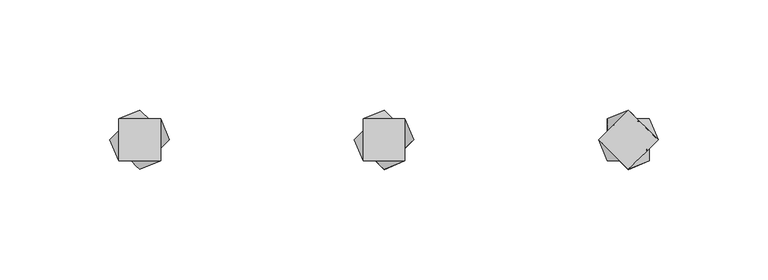
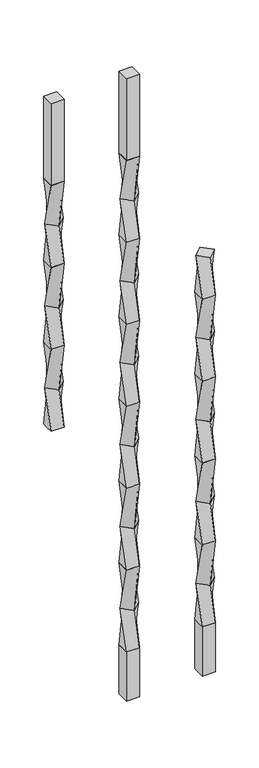
"""IFC4 building model written with IfcOpenShell, lengths in millimetres: proxy geometry."""

from ifc_helpers import new_model, si_unit, frame, origin, place, context, project, spatial, polyline, outline, extrude, source, transform, mapped, element, save
from ifc_brep_helpers import plane_surface, spline_surface, advanced_brep


def specialty_equipment_e52f804c(model_context):
    return source(origin(), model_context, "Body", "SolidModel", [
        advanced_brep(
        [(0.0, 13.4703842, 749.3), (-13.4703842, 0.0, 749.3), (0.0, -13.4703842, 749.3), (13.4703842, 0.0, 749.3), (-9.525, 9.525, 685.8), (9.525, 9.525, 685.8), (9.525, -9.525, 685.8), (-9.525, -9.525, 685.8)],
        [
            (0, 1),
            (1, 2),
            (2, 3),
            (3, 0),
            (4, 5),
            (5, 6),
            (6, 7),
            (7, 4),
            (4, 0),
            (3, 5),
            (2, 6),
            (1, 7),
        ],
        [
            plane_surface(frame((0.0, 0.0, 749.3), z_axis=(0.0, 0.0, 1.0000000000000002), x_axis=(0.7071067811865481, -0.707106781186547, 0.0))),
            plane_surface(frame((0.0, 0.0, 685.8), z_axis=(0.0, 0.0, -1.0000000000000002), x_axis=(0.7071067811865481, -0.707106781186547, 0.0))),
            spline_surface(1, 1, [[(9.525, 9.525, 685.8), (13.4703842, 0.0, 749.3)], [(-9.525, 9.525, 685.8), (0.0, 13.4703842, 749.3)]], [2, 2], [2, 2], [0.0, 1.0], [0.0, 1.0]),
            spline_surface(1, 1, [[(9.525, -9.525, 685.8), (0.0, -13.4703842, 749.3)], [(9.525, 9.525, 685.8), (13.4703842, 0.0, 749.3)]], [2, 2], [2, 2], [0.0, 1.0], [0.0, 1.0]),
            spline_surface(1, 1, [[(-9.525, -9.525, 685.8), (-13.4703842, 0.0, 749.3)], [(9.525, -9.525, 685.8), (0.0, -13.4703842, 749.3)]], [2, 2], [2, 2], [0.0, 1.0], [0.0, 1.0]),
            spline_surface(1, 1, [[(-9.525, 9.525, 685.8), (0.0, 13.4703842, 749.3)], [(-9.525, -9.525, 685.8), (-13.4703842, 0.0, 749.3)]], [2, 2], [2, 2], [0.0, 1.0], [0.0, 1.0]),
        ],
        [
            (0, [[1, 2, 3, 4]]),
            (1, [[5, 6, 7, 8]]),
            (2, [[-5, 9, -4, 10]]),
            (3, [[-6, -10, -3, 11]]),
            (4, [[-7, -11, -2, 12]]),
            (5, [[-8, -12, -1, -9]]),
        ],
    ),
        advanced_brep(
        [(-9.525, 9.525, 685.8), (-9.525, -9.525, 685.8), (9.525, -9.525, 685.8), (9.525, 9.525, 685.8), (0.0, 13.4703842, 622.3), (13.4703842, 0.0, 622.3), (0.0, -13.4703842, 622.3), (-13.4703842, 0.0, 622.3)],
        [
            (0, 1),
            (1, 2),
            (2, 3),
            (3, 0),
            (4, 5),
            (5, 6),
            (6, 7),
            (7, 4),
            (4, 0),
            (3, 5),
            (2, 6),
            (1, 7),
        ],
        [
            plane_surface(frame((0.0, 0.0, 685.8), z_axis=(0.0, 0.0, 1.0), x_axis=(0.0, -1.0, 0.0))),
            plane_surface(frame((0.0, 0.0, 622.3), z_axis=(0.0, 0.0, -1.0), x_axis=(0.0, -1.0, 0.0))),
            spline_surface(1, 1, [[(13.4703842, 0.0, 622.3), (9.525, 9.525, 685.8)], [(0.0, 13.4703842, 622.3), (-9.525, 9.525, 685.8)]], [2, 2], [2, 2], [0.0, 1.0], [0.0, 1.0]),
            spline_surface(1, 1, [[(0.0, -13.4703842, 622.3), (9.525, -9.525, 685.8)], [(13.4703842, 0.0, 622.3), (9.525, 9.525, 685.8)]], [2, 2], [2, 2], [0.0, 1.0], [0.0, 1.0]),
            spline_surface(1, 1, [[(-13.4703842, 0.0, 622.3), (-9.525, -9.525, 685.8)], [(0.0, -13.4703842, 622.3), (9.525, -9.525, 685.8)]], [2, 2], [2, 2], [0.0, 1.0], [0.0, 1.0]),
            spline_surface(1, 1, [[(0.0, 13.4703842, 622.3), (-9.525, 9.525, 685.8)], [(-13.4703842, 0.0, 622.3), (-9.525, -9.525, 685.8)]], [2, 2], [2, 2], [0.0, 1.0], [0.0, 1.0]),
        ],
        [
            (0, [[1, 2, 3, 4]]),
            (1, [[5, 6, 7, 8]]),
            (2, [[-5, 9, -4, 10]]),
            (3, [[-6, -10, -3, 11]]),
            (4, [[-7, -11, -2, 12]]),
            (5, [[-8, -12, -1, -9]]),
        ],
    ),
        advanced_brep(
        [(0.0, 13.4703842, 622.3), (-13.4703842, 0.0, 622.3), (0.0, -13.4703842, 622.3), (13.4703842, 0.0, 622.3), (-9.525, 9.525, 558.8), (9.525, 9.525, 558.8), (9.525, -9.525, 558.8), (-9.525, -9.525, 558.8)],
        [
            (0, 1),
            (1, 2),
            (2, 3),
            (3, 0),
            (4, 5),
            (5, 6),
            (6, 7),
            (7, 4),
            (4, 0),
            (3, 5),
            (2, 6),
            (1, 7),
        ],
        [
            plane_surface(frame((0.0, 0.0, 622.3), z_axis=(0.0, 0.0, 1.0000000000000002), x_axis=(0.7071067811865481, -0.707106781186547, 0.0))),
            plane_surface(frame((0.0, 0.0, 558.8), z_axis=(0.0, 0.0, -1.0000000000000002), x_axis=(0.7071067811865481, -0.707106781186547, 0.0))),
            spline_surface(1, 1, [[(9.525, 9.525, 558.8), (13.4703842, 0.0, 622.3)], [(-9.525, 9.525, 558.8), (0.0, 13.4703842, 622.3)]], [2, 2], [2, 2], [0.0, 1.0], [0.0, 1.0]),
            spline_surface(1, 1, [[(9.525, -9.525, 558.8), (0.0, -13.4703842, 622.3)], [(9.525, 9.525, 558.8), (13.4703842, 0.0, 622.3)]], [2, 2], [2, 2], [0.0, 1.0], [0.0, 1.0]),
            spline_surface(1, 1, [[(-9.525, -9.525, 558.8), (-13.4703842, 0.0, 622.3)], [(9.525, -9.525, 558.8), (0.0, -13.4703842, 622.3)]], [2, 2], [2, 2], [0.0, 1.0], [0.0, 1.0]),
            spline_surface(1, 1, [[(-9.525, 9.525, 558.8), (0.0, 13.4703842, 622.3)], [(-9.525, -9.525, 558.8), (-13.4703842, 0.0, 622.3)]], [2, 2], [2, 2], [0.0, 1.0], [0.0, 1.0]),
        ],
        [
            (0, [[1, 2, 3, 4]]),
            (1, [[5, 6, 7, 8]]),
            (2, [[-5, 9, -4, 10]]),
            (3, [[-6, -10, -3, 11]]),
            (4, [[-7, -11, -2, 12]]),
            (5, [[-8, -12, -1, -9]]),
        ],
    ),
        advanced_brep(
        [(-9.525, 9.525, 558.8), (-9.525, -9.525, 558.8), (9.525, -9.525, 558.8), (9.525, 9.525, 558.8), (0.0, 13.4703842, 495.3), (13.4703842, 0.0, 495.3), (0.0, -13.4703842, 495.3), (-13.4703842, 0.0, 495.3)],
        [
            (0, 1),
            (1, 2),
            (2, 3),
            (3, 0),
            (4, 5),
            (5, 6),
            (6, 7),
            (7, 4),
            (4, 0),
            (3, 5),
            (2, 6),
            (1, 7),
        ],
        [
            plane_surface(frame((0.0, 0.0, 558.8), z_axis=(0.0, 0.0, 1.0), x_axis=(0.0, -1.0, 0.0))),
            plane_surface(frame((0.0, 0.0, 495.3), z_axis=(0.0, 0.0, -1.0), x_axis=(0.0, -1.0, 0.0))),
            spline_surface(1, 1, [[(13.4703842, 0.0, 495.3), (9.525, 9.525, 558.8)], [(0.0, 13.4703842, 495.3), (-9.525, 9.525, 558.8)]], [2, 2], [2, 2], [0.0, 1.0], [0.0, 1.0]),
            spline_surface(1, 1, [[(0.0, -13.4703842, 495.3), (9.525, -9.525, 558.8)], [(13.4703842, 0.0, 495.3), (9.525, 9.525, 558.8)]], [2, 2], [2, 2], [0.0, 1.0], [0.0, 1.0]),
            spline_surface(1, 1, [[(-13.4703842, 0.0, 495.3), (-9.525, -9.525, 558.8)], [(0.0, -13.4703842, 495.3), (9.525, -9.525, 558.8)]], [2, 2], [2, 2], [0.0, 1.0], [0.0, 1.0]),
            spline_surface(1, 1, [[(0.0, 13.4703842, 495.3), (-9.525, 9.525, 558.8)], [(-13.4703842, 0.0, 495.3), (-9.525, -9.525, 558.8)]], [2, 2], [2, 2], [0.0, 1.0], [0.0, 1.0]),
        ],
        [
            (0, [[1, 2, 3, 4]]),
            (1, [[5, 6, 7, 8]]),
            (2, [[-5, 9, -4, 10]]),
            (3, [[-6, -10, -3, 11]]),
            (4, [[-7, -11, -2, 12]]),
            (5, [[-8, -12, -1, -9]]),
        ],
    ),
        advanced_brep(
        [(0.0, 13.4703842, 495.3), (-13.4703842, 0.0, 495.3), (0.0, -13.4703842, 495.3), (13.4703842, 0.0, 495.3), (-9.525, 9.525, 431.8), (9.525, 9.525, 431.8), (9.525, -9.525, 431.8), (-9.525, -9.525, 431.8)],
        [
            (0, 1),
            (1, 2),
            (2, 3),
            (3, 0),
            (4, 5),
            (5, 6),
            (6, 7),
            (7, 4),
            (4, 0),
            (3, 5),
            (2, 6),
            (1, 7),
        ],
        [
            plane_surface(frame((0.0, 0.0, 495.3), z_axis=(0.0, 0.0, 1.0000000000000002), x_axis=(0.7071067811865481, -0.707106781186547, 0.0))),
            plane_surface(frame((0.0, 0.0, 431.8), z_axis=(0.0, 0.0, -1.0000000000000002), x_axis=(0.7071067811865481, -0.707106781186547, 0.0))),
            spline_surface(1, 1, [[(9.525, 9.525, 431.8), (13.4703842, 0.0, 495.3)], [(-9.525, 9.525, 431.8), (0.0, 13.4703842, 495.3)]], [2, 2], [2, 2], [0.0, 1.0], [0.0, 1.0]),
            spline_surface(1, 1, [[(9.525, -9.525, 431.8), (0.0, -13.4703842, 495.3)], [(9.525, 9.525, 431.8), (13.4703842, 0.0, 495.3)]], [2, 2], [2, 2], [0.0, 1.0], [0.0, 1.0]),
            spline_surface(1, 1, [[(-9.525, -9.525, 431.8), (-13.4703842, 0.0, 495.3)], [(9.525, -9.525, 431.8), (0.0, -13.4703842, 495.3)]], [2, 2], [2, 2], [0.0, 1.0], [0.0, 1.0]),
            spline_surface(1, 1, [[(-9.525, 9.525, 431.8), (0.0, 13.4703842, 495.3)], [(-9.525, -9.525, 431.8), (-13.4703842, 0.0, 495.3)]], [2, 2], [2, 2], [0.0, 1.0], [0.0, 1.0]),
        ],
        [
            (0, [[1, 2, 3, 4]]),
            (1, [[5, 6, 7, 8]]),
            (2, [[-5, 9, -4, 10]]),
            (3, [[-6, -10, -3, 11]]),
            (4, [[-7, -11, -2, 12]]),
            (5, [[-8, -12, -1, -9]]),
        ],
    ),
        advanced_brep(
        [(-9.525, 9.525, 431.8), (-9.525, -9.525, 431.8), (9.525, -9.525, 431.8), (9.525, 9.525, 431.8), (0.0, 13.4703842, 368.3), (13.4703842, 0.0, 368.3), (0.0, -13.4703842, 368.3), (-13.4703842, 0.0, 368.3)],
        [
            (0, 1),
            (1, 2),
            (2, 3),
            (3, 0),
            (4, 5),
            (5, 6),
            (6, 7),
            (7, 4),
            (4, 0),
            (3, 5),
            (2, 6),
            (1, 7),
        ],
        [
            plane_surface(frame((0.0, 0.0, 431.8), z_axis=(0.0, 0.0, 1.0), x_axis=(0.0, -1.0, 0.0))),
            plane_surface(frame((0.0, 0.0, 368.3), z_axis=(0.0, 0.0, -1.0), x_axis=(0.0, -1.0, 0.0))),
            spline_surface(1, 1, [[(13.4703842, 0.0, 368.3), (9.525, 9.525, 431.8)], [(0.0, 13.4703842, 368.3), (-9.525, 9.525, 431.8)]], [2, 2], [2, 2], [0.0, 1.0], [0.0, 1.0]),
            spline_surface(1, 1, [[(0.0, -13.4703842, 368.3), (9.525, -9.525, 431.8)], [(13.4703842, 0.0, 368.3), (9.525, 9.525, 431.8)]], [2, 2], [2, 2], [0.0, 1.0], [0.0, 1.0]),
            spline_surface(1, 1, [[(-13.4703842, 0.0, 368.3), (-9.525, -9.525, 431.8)], [(0.0, -13.4703842, 368.3), (9.525, -9.525, 431.8)]], [2, 2], [2, 2], [0.0, 1.0], [0.0, 1.0]),
            spline_surface(1, 1, [[(0.0, 13.4703842, 368.3), (-9.525, 9.525, 431.8)], [(-13.4703842, 0.0, 368.3), (-9.525, -9.525, 431.8)]], [2, 2], [2, 2], [0.0, 1.0], [0.0, 1.0]),
        ],
        [
            (0, [[1, 2, 3, 4]]),
            (1, [[5, 6, 7, 8]]),
            (2, [[-5, 9, -4, 10]]),
            (3, [[-6, -10, -3, 11]]),
            (4, [[-7, -11, -2, 12]]),
            (5, [[-8, -12, -1, -9]]),
        ],
    ),
        advanced_brep(
        [(0.0, 13.4703842, 368.3), (-13.4703842, 0.0, 368.3), (0.0, -13.4703842, 368.3), (13.4703842, 0.0, 368.3), (-9.525, 9.525, 304.8), (9.525, 9.525, 304.8), (9.525, -9.525, 304.8), (-9.525, -9.525, 304.8)],
        [
            (0, 1),
            (1, 2),
            (2, 3),
            (3, 0),
            (4, 5),
            (5, 6),
            (6, 7),
            (7, 4),
            (4, 0),
            (3, 5),
            (2, 6),
            (1, 7),
        ],
        [
            plane_surface(frame((0.0, 0.0, 368.3), z_axis=(0.0, 0.0, 1.0000000000000002), x_axis=(0.7071067811865481, -0.707106781186547, 0.0))),
            plane_surface(frame((0.0, 0.0, 304.8), z_axis=(0.0, 0.0, -1.0000000000000002), x_axis=(0.7071067811865481, -0.707106781186547, 0.0))),
            spline_surface(1, 1, [[(9.525, 9.525, 304.8), (13.4703842, 0.0, 368.3)], [(-9.525, 9.525, 304.8), (0.0, 13.4703842, 368.3)]], [2, 2], [2, 2], [0.0, 1.0], [0.0, 1.0]),
            spline_surface(1, 1, [[(9.525, -9.525, 304.8), (0.0, -13.4703842, 368.3)], [(9.525, 9.525, 304.8), (13.4703842, 0.0, 368.3)]], [2, 2], [2, 2], [0.0, 1.0], [0.0, 1.0]),
            spline_surface(1, 1, [[(-9.525, -9.525, 304.8), (-13.4703842, 0.0, 368.3)], [(9.525, -9.525, 304.8), (0.0, -13.4703842, 368.3)]], [2, 2], [2, 2], [0.0, 1.0], [0.0, 1.0]),
            spline_surface(1, 1, [[(-9.525, 9.525, 304.8), (0.0, 13.4703842, 368.3)], [(-9.525, -9.525, 304.8), (-13.4703842, 0.0, 368.3)]], [2, 2], [2, 2], [0.0, 1.0], [0.0, 1.0]),
        ],
        [
            (0, [[1, 2, 3, 4]]),
            (1, [[5, 6, 7, 8]]),
            (2, [[-5, 9, -4, 10]]),
            (3, [[-6, -10, -3, 11]]),
            (4, [[-7, -11, -2, 12]]),
            (5, [[-8, -12, -1, -9]]),
        ],
    ),
        advanced_brep(
        [(-9.525, 9.525, 304.8), (-9.525, -9.525, 304.8), (9.525, -9.525, 304.8), (9.525, 9.525, 304.8), (0.0, 13.4703842, 241.3), (13.4703842, 0.0, 241.3), (0.0, -13.4703842, 241.3), (-13.4703842, 0.0, 241.3)],
        [
            (0, 1),
            (1, 2),
            (2, 3),
            (3, 0),
            (4, 5),
            (5, 6),
            (6, 7),
            (7, 4),
            (4, 0),
            (3, 5),
            (2, 6),
            (1, 7),
        ],
        [
            plane_surface(frame((0.0, 0.0, 304.8), z_axis=(0.0, 0.0, 1.0), x_axis=(0.0, -1.0, 0.0))),
            plane_surface(frame((0.0, 0.0, 241.3), z_axis=(0.0, 0.0, -1.0), x_axis=(0.0, -1.0, 0.0))),
            spline_surface(1, 1, [[(13.4703842, 0.0, 241.3), (9.525, 9.525, 304.8)], [(0.0, 13.4703842, 241.3), (-9.525, 9.525, 304.8)]], [2, 2], [2, 2], [0.0, 1.0], [0.0, 1.0]),
            spline_surface(1, 1, [[(0.0, -13.4703842, 241.3), (9.525, -9.525, 304.8)], [(13.4703842, 0.0, 241.3), (9.525, 9.525, 304.8)]], [2, 2], [2, 2], [0.0, 1.0], [0.0, 1.0]),
            spline_surface(1, 1, [[(-13.4703842, 0.0, 241.3), (-9.525, -9.525, 304.8)], [(0.0, -13.4703842, 241.3), (9.525, -9.525, 304.8)]], [2, 2], [2, 2], [0.0, 1.0], [0.0, 1.0]),
            spline_surface(1, 1, [[(0.0, 13.4703842, 241.3), (-9.525, 9.525, 304.8)], [(-13.4703842, 0.0, 241.3), (-9.525, -9.525, 304.8)]], [2, 2], [2, 2], [0.0, 1.0], [0.0, 1.0]),
        ],
        [
            (0, [[1, 2, 3, 4]]),
            (1, [[5, 6, 7, 8]]),
            (2, [[-5, 9, -4, 10]]),
            (3, [[-6, -10, -3, 11]]),
            (4, [[-7, -11, -2, 12]]),
            (5, [[-8, -12, -1, -9]]),
        ],
    ),
        advanced_brep(
        [(0.0, 13.4703842, 241.3), (-13.4703842, 0.0, 241.3), (0.0, -13.4703842, 241.3), (13.4703842, 0.0, 241.3), (-9.525, 9.525, 177.8), (9.525, 9.525, 177.8), (9.525, -9.525, 177.8), (-9.525, -9.525, 177.8)],
        [
            (0, 1),
            (1, 2),
            (2, 3),
            (3, 0),
            (4, 5),
            (5, 6),
            (6, 7),
            (7, 4),
            (4, 0),
            (3, 5),
            (2, 6),
            (1, 7),
        ],
        [
            plane_surface(frame((0.0, 0.0, 241.3), z_axis=(0.0, 0.0, 1.0000000000000002), x_axis=(0.7071067811865481, -0.707106781186547, 0.0))),
            plane_surface(frame((0.0, 0.0, 177.8), z_axis=(0.0, 0.0, -1.0000000000000002), x_axis=(0.7071067811865481, -0.707106781186547, 0.0))),
            spline_surface(1, 1, [[(9.525, 9.525, 177.8), (13.4703842, 0.0, 241.3)], [(-9.525, 9.525, 177.8), (0.0, 13.4703842, 241.3)]], [2, 2], [2, 2], [0.0, 1.0], [0.0, 1.0]),
            spline_surface(1, 1, [[(9.525, -9.525, 177.8), (0.0, -13.4703842, 241.3)], [(9.525, 9.525, 177.8), (13.4703842, 0.0, 241.3)]], [2, 2], [2, 2], [0.0, 1.0], [0.0, 1.0]),
            spline_surface(1, 1, [[(-9.525, -9.525, 177.8), (-13.4703842, 0.0, 241.3)], [(9.525, -9.525, 177.8), (0.0, -13.4703842, 241.3)]], [2, 2], [2, 2], [0.0, 1.0], [0.0, 1.0]),
            spline_surface(1, 1, [[(-9.525, 9.525, 177.8), (0.0, 13.4703842, 241.3)], [(-9.525, -9.525, 177.8), (-13.4703842, 0.0, 241.3)]], [2, 2], [2, 2], [0.0, 1.0], [0.0, 1.0]),
        ],
        [
            (0, [[1, 2, 3, 4]]),
            (1, [[5, 6, 7, 8]]),
            (2, [[-5, 9, -4, 10]]),
            (3, [[-6, -10, -3, 11]]),
            (4, [[-7, -11, -2, 12]]),
            (5, [[-8, -12, -1, -9]]),
        ],
    ),
        extrude(outline(polyline([(9.525, 9.525), (9.525, -9.525), (-9.525, -9.525), (-9.525, 9.525), (9.525, 9.525)])), frame((0.0, 0.0, 101.6), z_axis=(0.0, 0.0, 1.0), x_axis=(1.0, 0.0, 0.0)), (0.0, 0.0, 1.0), 76.2),
        advanced_brep(
        [(-120.65, 9.525, 939.8), (-120.65, -9.525, 939.8), (-101.6, -9.525, 939.8), (-101.6, 9.525, 939.8), (-111.125, 13.4703842, 876.3), (-97.6546158, 0.0, 876.3), (-111.125, -13.4703842, 876.3), (-124.5953842, 0.0, 876.3)],
        [
            (0, 1),
            (1, 2),
            (2, 3),
            (3, 0),
            (4, 5),
            (5, 6),
            (6, 7),
            (7, 4),
            (4, 0),
            (3, 5),
            (2, 6),
            (1, 7),
        ],
        [
            plane_surface(frame((-111.125, 0.0, 939.8), z_axis=(0.0, 0.0, 1.0), x_axis=(0.0, -1.0, 0.0))),
            plane_surface(frame((-111.125, 0.0, 876.3), z_axis=(0.0, 0.0, -1.0), x_axis=(0.0, -1.0, 0.0))),
            spline_surface(1, 1, [[(-97.6546158, 0.0, 876.3), (-101.6, 9.525, 939.8)], [(-111.125, 13.4703842, 876.3), (-120.65, 9.525, 939.8)]], [2, 2], [2, 2], [0.0, 1.0], [0.0, 1.0]),
            spline_surface(1, 1, [[(-111.125, -13.4703842, 876.3), (-101.6, -9.525, 939.8)], [(-97.6546158, 0.0, 876.3), (-101.6, 9.525, 939.8)]], [2, 2], [2, 2], [0.0, 1.0], [0.0, 1.0]),
            spline_surface(1, 1, [[(-124.5953842, 0.0, 876.3), (-120.65, -9.525, 939.8)], [(-111.125, -13.4703842, 876.3), (-101.6, -9.525, 939.8)]], [2, 2], [2, 2], [0.0, 1.0], [0.0, 1.0]),
            spline_surface(1, 1, [[(-111.125, 13.4703842, 876.3), (-120.65, 9.525, 939.8)], [(-124.5953842, 0.0, 876.3), (-120.65, -9.525, 939.8)]], [2, 2], [2, 2], [0.0, 1.0], [0.0, 1.0]),
        ],
        [
            (0, [[1, 2, 3, 4]]),
            (1, [[5, 6, 7, 8]]),
            (2, [[-5, 9, -4, 10]]),
            (3, [[-6, -10, -3, 11]]),
            (4, [[-7, -11, -2, 12]]),
            (5, [[-8, -12, -1, -9]]),
        ],
    ),
        advanced_brep(
        [(-111.125, 13.4703842, 876.3), (-124.5953842, 0.0, 876.3), (-111.125, -13.4703842, 876.3), (-97.6546158, 0.0, 876.3), (-120.65, 9.525, 812.8), (-101.6, 9.525, 812.8), (-101.6, -9.525, 812.8), (-120.65, -9.525, 812.8)],
        [
            (0, 1),
            (1, 2),
            (2, 3),
            (3, 0),
            (4, 5),
            (5, 6),
            (6, 7),
            (7, 4),
            (4, 0),
            (3, 5),
            (2, 6),
            (1, 7),
        ],
        [
            plane_surface(frame((-111.125, 0.0, 876.3), z_axis=(0.0, 0.0, 1.0000000000000002), x_axis=(0.7071067811865481, -0.707106781186547, 0.0))),
            plane_surface(frame((-111.125, 0.0, 812.8), z_axis=(0.0, 0.0, -1.0000000000000002), x_axis=(0.7071067811865481, -0.707106781186547, 0.0))),
            spline_surface(1, 1, [[(-101.6, 9.525, 812.8), (-97.6546158, 0.0, 876.3)], [(-120.65, 9.525, 812.8), (-111.125, 13.4703842, 876.3)]], [2, 2], [2, 2], [0.0, 1.0], [0.0, 1.0]),
            spline_surface(1, 1, [[(-101.6, -9.525, 812.8), (-111.125, -13.4703842, 876.3)], [(-101.6, 9.525, 812.8), (-97.6546158, 0.0, 876.3)]], [2, 2], [2, 2], [0.0, 1.0], [0.0, 1.0]),
            spline_surface(1, 1, [[(-120.65, -9.525, 812.8), (-124.5953842, 0.0, 876.3)], [(-101.6, -9.525, 812.8), (-111.125, -13.4703842, 876.3)]], [2, 2], [2, 2], [0.0, 1.0], [0.0, 1.0]),
            spline_surface(1, 1, [[(-120.65, 9.525, 812.8), (-111.125, 13.4703842, 876.3)], [(-120.65, -9.525, 812.8), (-124.5953842, 0.0, 876.3)]], [2, 2], [2, 2], [0.0, 1.0], [0.0, 1.0]),
        ],
        [
            (0, [[1, 2, 3, 4]]),
            (1, [[5, 6, 7, 8]]),
            (2, [[-5, 9, -4, 10]]),
            (3, [[-6, -10, -3, 11]]),
            (4, [[-7, -11, -2, 12]]),
            (5, [[-8, -12, -1, -9]]),
        ],
    ),
        extrude(outline(polyline([(-101.6, 9.525), (-101.6, -9.525), (-120.65, -9.525), (-120.65, 9.525), (-101.6, 9.525)])), frame((0.0, 0.0, 939.8), z_axis=(0.0, 0.0, 1.0), x_axis=(1.0, 0.0, 0.0)), (0.0, 0.0, 1.0), 127.0),
        advanced_brep(
        [(-120.65, 9.525, 812.8), (-120.65, -9.525, 812.8), (-101.6, -9.525, 812.8), (-101.6, 9.525, 812.8), (-111.125, 13.4703842, 749.3), (-97.6546158, 0.0, 749.3), (-111.125, -13.4703842, 749.3), (-124.5953842, 0.0, 749.3)],
        [
            (0, 1),
            (1, 2),
            (2, 3),
            (3, 0),
            (4, 5),
            (5, 6),
            (6, 7),
            (7, 4),
            (4, 0),
            (3, 5),
            (2, 6),
            (1, 7),
        ],
        [
            plane_surface(frame((-111.125, 0.0, 812.8), z_axis=(0.0, 0.0, 1.0), x_axis=(0.0, -1.0, 0.0))),
            plane_surface(frame((-111.125, 0.0, 749.3), z_axis=(0.0, 0.0, -1.0), x_axis=(0.0, -1.0, 0.0))),
            spline_surface(1, 1, [[(-97.6546158, 0.0, 749.3), (-101.6, 9.525, 812.8)], [(-111.125, 13.4703842, 749.3), (-120.65, 9.525, 812.8)]], [2, 2], [2, 2], [0.0, 1.0], [0.0, 1.0]),
            spline_surface(1, 1, [[(-111.125, -13.4703842, 749.3), (-101.6, -9.525, 812.8)], [(-97.6546158, 0.0, 749.3), (-101.6, 9.525, 812.8)]], [2, 2], [2, 2], [0.0, 1.0], [0.0, 1.0]),
            spline_surface(1, 1, [[(-124.5953842, 0.0, 749.3), (-120.65, -9.525, 812.8)], [(-111.125, -13.4703842, 749.3), (-101.6, -9.525, 812.8)]], [2, 2], [2, 2], [0.0, 1.0], [0.0, 1.0]),
            spline_surface(1, 1, [[(-111.125, 13.4703842, 749.3), (-120.65, 9.525, 812.8)], [(-124.5953842, 0.0, 749.3), (-120.65, -9.525, 812.8)]], [2, 2], [2, 2], [0.0, 1.0], [0.0, 1.0]),
        ],
        [
            (0, [[1, 2, 3, 4]]),
            (1, [[5, 6, 7, 8]]),
            (2, [[-5, 9, -4, 10]]),
            (3, [[-6, -10, -3, 11]]),
            (4, [[-7, -11, -2, 12]]),
            (5, [[-8, -12, -1, -9]]),
        ],
    ),
        advanced_brep(
        [(-111.125, 13.4703842, 749.3), (-124.5953842, 0.0, 749.3), (-111.125, -13.4703842, 749.3), (-97.6546158, 0.0, 749.3), (-120.65, 9.525, 685.8), (-101.6, 9.525, 685.8), (-101.6, -9.525, 685.8), (-120.65, -9.525, 685.8)],
        [
            (0, 1),
            (1, 2),
            (2, 3),
            (3, 0),
            (4, 5),
            (5, 6),
            (6, 7),
            (7, 4),
            (4, 0),
            (3, 5),
            (2, 6),
            (1, 7),
        ],
        [
            plane_surface(frame((-111.125, 0.0, 749.3), z_axis=(0.0, 0.0, 1.0000000000000002), x_axis=(0.7071067811865481, -0.707106781186547, 0.0))),
            plane_surface(frame((-111.125, 0.0, 685.8), z_axis=(0.0, 0.0, -1.0000000000000002), x_axis=(0.7071067811865481, -0.707106781186547, 0.0))),
            spline_surface(1, 1, [[(-101.6, 9.525, 685.8), (-97.6546158, 0.0, 749.3)], [(-120.65, 9.525, 685.8), (-111.125, 13.4703842, 749.3)]], [2, 2], [2, 2], [0.0, 1.0], [0.0, 1.0]),
            spline_surface(1, 1, [[(-101.6, -9.525, 685.8), (-111.125, -13.4703842, 749.3)], [(-101.6, 9.525, 685.8), (-97.6546158, 0.0, 749.3)]], [2, 2], [2, 2], [0.0, 1.0], [0.0, 1.0]),
            spline_surface(1, 1, [[(-120.65, -9.525, 685.8), (-124.5953842, 0.0, 749.3)], [(-101.6, -9.525, 685.8), (-111.125, -13.4703842, 749.3)]], [2, 2], [2, 2], [0.0, 1.0], [0.0, 1.0]),
            spline_surface(1, 1, [[(-120.65, 9.525, 685.8), (-111.125, 13.4703842, 749.3)], [(-120.65, -9.525, 685.8), (-124.5953842, 0.0, 749.3)]], [2, 2], [2, 2], [0.0, 1.0], [0.0, 1.0]),
        ],
        [
            (0, [[1, 2, 3, 4]]),
            (1, [[5, 6, 7, 8]]),
            (2, [[-5, 9, -4, 10]]),
            (3, [[-6, -10, -3, 11]]),
            (4, [[-7, -11, -2, 12]]),
            (5, [[-8, -12, -1, -9]]),
        ],
    ),
        advanced_brep(
        [(-120.65, 9.525, 685.8), (-120.65, -9.525, 685.8), (-101.6, -9.525, 685.8), (-101.6, 9.525, 685.8), (-111.125, 13.4703842, 622.3), (-97.6546158, 0.0, 622.3), (-111.125, -13.4703842, 622.3), (-124.5953842, 0.0, 622.3)],
        [
            (0, 1),
            (1, 2),
            (2, 3),
            (3, 0),
            (4, 5),
            (5, 6),
            (6, 7),
            (7, 4),
            (4, 0),
            (3, 5),
            (2, 6),
            (1, 7),
        ],
        [
            plane_surface(frame((-111.125, 0.0, 685.8), z_axis=(0.0, 0.0, 1.0), x_axis=(0.0, -1.0, 0.0))),
            plane_surface(frame((-111.125, 0.0, 622.3), z_axis=(0.0, 0.0, -1.0), x_axis=(0.0, -1.0, 0.0))),
            spline_surface(1, 1, [[(-97.6546158, 0.0, 622.3), (-101.6, 9.525, 685.8)], [(-111.125, 13.4703842, 622.3), (-120.65, 9.525, 685.8)]], [2, 2], [2, 2], [0.0, 1.0], [0.0, 1.0]),
            spline_surface(1, 1, [[(-111.125, -13.4703842, 622.3), (-101.6, -9.525, 685.8)], [(-97.6546158, 0.0, 622.3), (-101.6, 9.525, 685.8)]], [2, 2], [2, 2], [0.0, 1.0], [0.0, 1.0]),
            spline_surface(1, 1, [[(-124.5953842, 0.0, 622.3), (-120.65, -9.525, 685.8)], [(-111.125, -13.4703842, 622.3), (-101.6, -9.525, 685.8)]], [2, 2], [2, 2], [0.0, 1.0], [0.0, 1.0]),
            spline_surface(1, 1, [[(-111.125, 13.4703842, 622.3), (-120.65, 9.525, 685.8)], [(-124.5953842, 0.0, 622.3), (-120.65, -9.525, 685.8)]], [2, 2], [2, 2], [0.0, 1.0], [0.0, 1.0]),
        ],
        [
            (0, [[1, 2, 3, 4]]),
            (1, [[5, 6, 7, 8]]),
            (2, [[-5, 9, -4, 10]]),
            (3, [[-6, -10, -3, 11]]),
            (4, [[-7, -11, -2, 12]]),
            (5, [[-8, -12, -1, -9]]),
        ],
    ),
        advanced_brep(
        [(-111.125, 13.4703842, 622.3), (-124.5953842, 0.0, 622.3), (-111.125, -13.4703842, 622.3), (-97.6546158, 0.0, 622.3), (-120.65, 9.525, 558.8), (-101.6, 9.525, 558.8), (-101.6, -9.525, 558.8), (-120.65, -9.525, 558.8)],
        [
            (0, 1),
            (1, 2),
            (2, 3),
            (3, 0),
            (4, 5),
            (5, 6),
            (6, 7),
            (7, 4),
            (4, 0),
            (3, 5),
            (2, 6),
            (1, 7),
        ],
        [
            plane_surface(frame((-111.125, 0.0, 622.3), z_axis=(0.0, 0.0, 1.0000000000000002), x_axis=(0.7071067811865481, -0.707106781186547, 0.0))),
            plane_surface(frame((-111.125, 0.0, 558.8), z_axis=(0.0, 0.0, -1.0000000000000002), x_axis=(0.7071067811865481, -0.707106781186547, 0.0))),
            spline_surface(1, 1, [[(-101.6, 9.525, 558.8), (-97.6546158, 0.0, 622.3)], [(-120.65, 9.525, 558.8), (-111.125, 13.4703842, 622.3)]], [2, 2], [2, 2], [0.0, 1.0], [0.0, 1.0]),
            spline_surface(1, 1, [[(-101.6, -9.525, 558.8), (-111.125, -13.4703842, 622.3)], [(-101.6, 9.525, 558.8), (-97.6546158, 0.0, 622.3)]], [2, 2], [2, 2], [0.0, 1.0], [0.0, 1.0]),
            spline_surface(1, 1, [[(-120.65, -9.525, 558.8), (-124.5953842, 0.0, 622.3)], [(-101.6, -9.525, 558.8), (-111.125, -13.4703842, 622.3)]], [2, 2], [2, 2], [0.0, 1.0], [0.0, 1.0]),
            spline_surface(1, 1, [[(-120.65, 9.525, 558.8), (-111.125, 13.4703842, 622.3)], [(-120.65, -9.525, 558.8), (-124.5953842, 0.0, 622.3)]], [2, 2], [2, 2], [0.0, 1.0], [0.0, 1.0]),
        ],
        [
            (0, [[1, 2, 3, 4]]),
            (1, [[5, 6, 7, 8]]),
            (2, [[-5, 9, -4, 10]]),
            (3, [[-6, -10, -3, 11]]),
            (4, [[-7, -11, -2, 12]]),
            (5, [[-8, -12, -1, -9]]),
        ],
    ),
        advanced_brep(
        [(-120.65, 9.525, 558.8), (-120.65, -9.525, 558.8), (-101.6, -9.525, 558.8), (-101.6, 9.525, 558.8), (-111.125, 13.4703842, 495.3), (-97.6546158, 0.0, 495.3), (-111.125, -13.4703842, 495.3), (-124.5953842, 0.0, 495.3)],
        [
            (0, 1),
            (1, 2),
            (2, 3),
            (3, 0),
            (4, 5),
            (5, 6),
            (6, 7),
            (7, 4),
            (4, 0),
            (3, 5),
            (2, 6),
            (1, 7),
        ],
        [
            plane_surface(frame((-111.125, 0.0, 558.8), z_axis=(0.0, 0.0, 1.0), x_axis=(0.0, -1.0, 0.0))),
            plane_surface(frame((-111.125, 0.0, 495.3), z_axis=(0.0, 0.0, -1.0), x_axis=(0.0, -1.0, 0.0))),
            spline_surface(1, 1, [[(-97.6546158, 0.0, 495.3), (-101.6, 9.525, 558.8)], [(-111.125, 13.4703842, 495.3), (-120.65, 9.525, 558.8)]], [2, 2], [2, 2], [0.0, 1.0], [0.0, 1.0]),
            spline_surface(1, 1, [[(-111.125, -13.4703842, 495.3), (-101.6, -9.525, 558.8)], [(-97.6546158, 0.0, 495.3), (-101.6, 9.525, 558.8)]], [2, 2], [2, 2], [0.0, 1.0], [0.0, 1.0]),
            spline_surface(1, 1, [[(-124.5953842, 0.0, 495.3), (-120.65, -9.525, 558.8)], [(-111.125, -13.4703842, 495.3), (-101.6, -9.525, 558.8)]], [2, 2], [2, 2], [0.0, 1.0], [0.0, 1.0]),
            spline_surface(1, 1, [[(-111.125, 13.4703842, 495.3), (-120.65, 9.525, 558.8)], [(-124.5953842, 0.0, 495.3), (-120.65, -9.525, 558.8)]], [2, 2], [2, 2], [0.0, 1.0], [0.0, 1.0]),
        ],
        [
            (0, [[1, 2, 3, 4]]),
            (1, [[5, 6, 7, 8]]),
            (2, [[-5, 9, -4, 10]]),
            (3, [[-6, -10, -3, 11]]),
            (4, [[-7, -11, -2, 12]]),
            (5, [[-8, -12, -1, -9]]),
        ],
    ),
        advanced_brep(
        [(-111.125, 13.4703842, 495.3), (-124.5953842, 0.0, 495.3), (-111.125, -13.4703842, 495.3), (-97.6546158, 0.0, 495.3), (-120.65, 9.525, 431.8), (-101.6, 9.525, 431.8), (-101.6, -9.525, 431.8), (-120.65, -9.525, 431.8)],
        [
            (0, 1),
            (1, 2),
            (2, 3),
            (3, 0),
            (4, 5),
            (5, 6),
            (6, 7),
            (7, 4),
            (4, 0),
            (3, 5),
            (2, 6),
            (1, 7),
        ],
        [
            plane_surface(frame((-111.125, 0.0, 495.3), z_axis=(0.0, 0.0, 1.0000000000000002), x_axis=(0.7071067811865481, -0.707106781186547, 0.0))),
            plane_surface(frame((-111.125, 0.0, 431.8), z_axis=(0.0, 0.0, -1.0000000000000002), x_axis=(0.7071067811865481, -0.707106781186547, 0.0))),
            spline_surface(1, 1, [[(-101.6, 9.525, 431.8), (-97.6546158, 0.0, 495.3)], [(-120.65, 9.525, 431.8), (-111.125, 13.4703842, 495.3)]], [2, 2], [2, 2], [0.0, 1.0], [0.0, 1.0]),
            spline_surface(1, 1, [[(-101.6, -9.525, 431.8), (-111.125, -13.4703842, 495.3)], [(-101.6, 9.525, 431.8), (-97.6546158, 0.0, 495.3)]], [2, 2], [2, 2], [0.0, 1.0], [0.0, 1.0]),
            spline_surface(1, 1, [[(-120.65, -9.525, 431.8), (-124.5953842, 0.0, 495.3)], [(-101.6, -9.525, 431.8), (-111.125, -13.4703842, 495.3)]], [2, 2], [2, 2], [0.0, 1.0], [0.0, 1.0]),
            spline_surface(1, 1, [[(-120.65, 9.525, 431.8), (-111.125, 13.4703842, 495.3)], [(-120.65, -9.525, 431.8), (-124.5953842, 0.0, 495.3)]], [2, 2], [2, 2], [0.0, 1.0], [0.0, 1.0]),
        ],
        [
            (0, [[1, 2, 3, 4]]),
            (1, [[5, 6, 7, 8]]),
            (2, [[-5, 9, -4, 10]]),
            (3, [[-6, -10, -3, 11]]),
            (4, [[-7, -11, -2, 12]]),
            (5, [[-8, -12, -1, -9]]),
        ],
    ),
        advanced_brep(
        [(-120.65, 9.525, 431.8), (-120.65, -9.525, 431.8), (-101.6, -9.525, 431.8), (-101.6, 9.525, 431.8), (-111.125, 13.4703842, 368.3), (-97.6546158, 0.0, 368.3), (-111.125, -13.4703842, 368.3), (-124.5953842, 0.0, 368.3)],
        [
            (0, 1),
            (1, 2),
            (2, 3),
            (3, 0),
            (4, 5),
            (5, 6),
            (6, 7),
            (7, 4),
            (4, 0),
            (3, 5),
            (2, 6),
            (1, 7),
        ],
        [
            plane_surface(frame((-111.125, 0.0, 431.8), z_axis=(0.0, 0.0, 1.0), x_axis=(0.0, -1.0, 0.0))),
            plane_surface(frame((-111.125, 0.0, 368.3), z_axis=(0.0, 0.0, -1.0), x_axis=(0.0, -1.0, 0.0))),
            spline_surface(1, 1, [[(-97.6546158, 0.0, 368.3), (-101.6, 9.525, 431.8)], [(-111.125, 13.4703842, 368.3), (-120.65, 9.525, 431.8)]], [2, 2], [2, 2], [0.0, 1.0], [0.0, 1.0]),
            spline_surface(1, 1, [[(-111.125, -13.4703842, 368.3), (-101.6, -9.525, 431.8)], [(-97.6546158, 0.0, 368.3), (-101.6, 9.525, 431.8)]], [2, 2], [2, 2], [0.0, 1.0], [0.0, 1.0]),
            spline_surface(1, 1, [[(-124.5953842, 0.0, 368.3), (-120.65, -9.525, 431.8)], [(-111.125, -13.4703842, 368.3), (-101.6, -9.525, 431.8)]], [2, 2], [2, 2], [0.0, 1.0], [0.0, 1.0]),
            spline_surface(1, 1, [[(-111.125, 13.4703842, 368.3), (-120.65, 9.525, 431.8)], [(-124.5953842, 0.0, 368.3), (-120.65, -9.525, 431.8)]], [2, 2], [2, 2], [0.0, 1.0], [0.0, 1.0]),
        ],
        [
            (0, [[1, 2, 3, 4]]),
            (1, [[5, 6, 7, 8]]),
            (2, [[-5, 9, -4, 10]]),
            (3, [[-6, -10, -3, 11]]),
            (4, [[-7, -11, -2, 12]]),
            (5, [[-8, -12, -1, -9]]),
        ],
    ),
        advanced_brep(
        [(-111.125, 13.4703842, 368.3), (-124.5953842, 0.0, 368.3), (-111.125, -13.4703842, 368.3), (-97.6546158, 0.0, 368.3), (-120.65, 9.525, 304.8), (-101.6, 9.525, 304.8), (-101.6, -9.525, 304.8), (-120.65, -9.525, 304.8)],
        [
            (0, 1),
            (1, 2),
            (2, 3),
            (3, 0),
            (4, 5),
            (5, 6),
            (6, 7),
            (7, 4),
            (4, 0),
            (3, 5),
            (2, 6),
            (1, 7),
        ],
        [
            plane_surface(frame((-111.125, 0.0, 368.3), z_axis=(0.0, 0.0, 1.0000000000000002), x_axis=(0.7071067811865481, -0.707106781186547, 0.0))),
            plane_surface(frame((-111.125, 0.0, 304.8), z_axis=(0.0, 0.0, -1.0000000000000002), x_axis=(0.7071067811865481, -0.707106781186547, 0.0))),
            spline_surface(1, 1, [[(-101.6, 9.525, 304.8), (-97.6546158, 0.0, 368.3)], [(-120.65, 9.525, 304.8), (-111.125, 13.4703842, 368.3)]], [2, 2], [2, 2], [0.0, 1.0], [0.0, 1.0]),
            spline_surface(1, 1, [[(-101.6, -9.525, 304.8), (-111.125, -13.4703842, 368.3)], [(-101.6, 9.525, 304.8), (-97.6546158, 0.0, 368.3)]], [2, 2], [2, 2], [0.0, 1.0], [0.0, 1.0]),
            spline_surface(1, 1, [[(-120.65, -9.525, 304.8), (-124.5953842, 0.0, 368.3)], [(-101.6, -9.525, 304.8), (-111.125, -13.4703842, 368.3)]], [2, 2], [2, 2], [0.0, 1.0], [0.0, 1.0]),
            spline_surface(1, 1, [[(-120.65, 9.525, 304.8), (-111.125, 13.4703842, 368.3)], [(-120.65, -9.525, 304.8), (-124.5953842, 0.0, 368.3)]], [2, 2], [2, 2], [0.0, 1.0], [0.0, 1.0]),
        ],
        [
            (0, [[1, 2, 3, 4]]),
            (1, [[5, 6, 7, 8]]),
            (2, [[-5, 9, -4, 10]]),
            (3, [[-6, -10, -3, 11]]),
            (4, [[-7, -11, -2, 12]]),
            (5, [[-8, -12, -1, -9]]),
        ],
    ),
        advanced_brep(
        [(-120.65, 9.525, 304.8), (-120.65, -9.525, 304.8), (-101.6, -9.525, 304.8), (-101.6, 9.525, 304.8), (-111.125, 13.4703842, 241.3), (-97.6546158, 0.0, 241.3), (-111.125, -13.4703842, 241.3), (-124.5953842, 0.0, 241.3)],
        [
            (0, 1),
            (1, 2),
            (2, 3),
            (3, 0),
            (4, 5),
            (5, 6),
            (6, 7),
            (7, 4),
            (4, 0),
            (3, 5),
            (2, 6),
            (1, 7),
        ],
        [
            plane_surface(frame((-111.125, 0.0, 304.8), z_axis=(0.0, 0.0, 1.0), x_axis=(0.0, -1.0, 0.0))),
            plane_surface(frame((-111.125, 0.0, 241.3), z_axis=(0.0, 0.0, -1.0), x_axis=(0.0, -1.0, 0.0))),
            spline_surface(1, 1, [[(-97.6546158, 0.0, 241.3), (-101.6, 9.525, 304.8)], [(-111.125, 13.4703842, 241.3), (-120.65, 9.525, 304.8)]], [2, 2], [2, 2], [0.0, 1.0], [0.0, 1.0]),
            spline_surface(1, 1, [[(-111.125, -13.4703842, 241.3), (-101.6, -9.525, 304.8)], [(-97.6546158, 0.0, 241.3), (-101.6, 9.525, 304.8)]], [2, 2], [2, 2], [0.0, 1.0], [0.0, 1.0]),
            spline_surface(1, 1, [[(-124.5953842, 0.0, 241.3), (-120.65, -9.525, 304.8)], [(-111.125, -13.4703842, 241.3), (-101.6, -9.525, 304.8)]], [2, 2], [2, 2], [0.0, 1.0], [0.0, 1.0]),
            spline_surface(1, 1, [[(-111.125, 13.4703842, 241.3), (-120.65, 9.525, 304.8)], [(-124.5953842, 0.0, 241.3), (-120.65, -9.525, 304.8)]], [2, 2], [2, 2], [0.0, 1.0], [0.0, 1.0]),
        ],
        [
            (0, [[1, 2, 3, 4]]),
            (1, [[5, 6, 7, 8]]),
            (2, [[-5, 9, -4, 10]]),
            (3, [[-6, -10, -3, 11]]),
            (4, [[-7, -11, -2, 12]]),
            (5, [[-8, -12, -1, -9]]),
        ],
    ),
        advanced_brep(
        [(-111.125, 13.4703842, 241.3), (-124.5953842, 0.0, 241.3), (-111.125, -13.4703842, 241.3), (-97.6546158, 0.0, 241.3), (-120.65, 9.525, 177.8), (-101.6, 9.525, 177.8), (-101.6, -9.525, 177.8), (-120.65, -9.525, 177.8)],
        [
            (0, 1),
            (1, 2),
            (2, 3),
            (3, 0),
            (4, 5),
            (5, 6),
            (6, 7),
            (7, 4),
            (4, 0),
            (3, 5),
            (2, 6),
            (1, 7),
        ],
        [
            plane_surface(frame((-111.125, 0.0, 241.3), z_axis=(0.0, 0.0, 1.0000000000000002), x_axis=(0.7071067811865481, -0.707106781186547, 0.0))),
            plane_surface(frame((-111.125, 0.0, 177.8), z_axis=(0.0, 0.0, -1.0000000000000002), x_axis=(0.7071067811865481, -0.707106781186547, 0.0))),
            spline_surface(1, 1, [[(-101.6, 9.525, 177.8), (-97.6546158, 0.0, 241.3)], [(-120.65, 9.525, 177.8), (-111.125, 13.4703842, 241.3)]], [2, 2], [2, 2], [0.0, 1.0], [0.0, 1.0]),
            spline_surface(1, 1, [[(-101.6, -9.525, 177.8), (-111.125, -13.4703842, 241.3)], [(-101.6, 9.525, 177.8), (-97.6546158, 0.0, 241.3)]], [2, 2], [2, 2], [0.0, 1.0], [0.0, 1.0]),
            spline_surface(1, 1, [[(-120.65, -9.525, 177.8), (-124.5953842, 0.0, 241.3)], [(-101.6, -9.525, 177.8), (-111.125, -13.4703842, 241.3)]], [2, 2], [2, 2], [0.0, 1.0], [0.0, 1.0]),
            spline_surface(1, 1, [[(-120.65, 9.525, 177.8), (-111.125, 13.4703842, 241.3)], [(-120.65, -9.525, 177.8), (-124.5953842, 0.0, 241.3)]], [2, 2], [2, 2], [0.0, 1.0], [0.0, 1.0]),
        ],
        [
            (0, [[1, 2, 3, 4]]),
            (1, [[5, 6, 7, 8]]),
            (2, [[-5, 9, -4, 10]]),
            (3, [[-6, -10, -3, 11]]),
            (4, [[-7, -11, -2, 12]]),
            (5, [[-8, -12, -1, -9]]),
        ],
    ),
        extrude(outline(polyline([(-101.6, 9.525), (-101.6, -9.525), (-120.65, -9.525), (-120.65, 9.525), (-101.6, 9.525)])), frame((0.0, 0.0, 101.6), z_axis=(0.0, 0.0, 1.0), x_axis=(1.0, 0.0, 0.0)), (0.0, 0.0, 1.0), 76.2),
        advanced_brep(
        [(-231.775, 9.525, 939.8), (-231.775, -9.525, 939.8), (-212.725, -9.525, 939.8), (-212.725, 9.525, 939.8), (-222.25, 13.4703842, 876.3), (-208.7796158, 0.0, 876.3), (-222.25, -13.4703842, 876.3), (-235.7203842, 0.0, 876.3)],
        [
            (0, 1),
            (1, 2),
            (2, 3),
            (3, 0),
            (4, 5),
            (5, 6),
            (6, 7),
            (7, 4),
            (4, 0),
            (3, 5),
            (2, 6),
            (1, 7),
        ],
        [
            plane_surface(frame((-222.25, 0.0, 939.8), z_axis=(0.0, 0.0, 1.0), x_axis=(0.0, -1.0, 0.0))),
            plane_surface(frame((-222.25, 0.0, 876.3), z_axis=(0.0, 0.0, -1.0), x_axis=(0.0, -1.0, 0.0))),
            spline_surface(1, 1, [[(-208.7796158, 0.0, 876.3), (-212.725, 9.525, 939.8)], [(-222.25, 13.4703842, 876.3), (-231.775, 9.525, 939.8)]], [2, 2], [2, 2], [0.0, 1.0], [0.0, 1.0]),
            spline_surface(1, 1, [[(-222.25, -13.4703842, 876.3), (-212.725, -9.525, 939.8)], [(-208.7796158, 0.0, 876.3), (-212.725, 9.525, 939.8)]], [2, 2], [2, 2], [0.0, 1.0], [0.0, 1.0]),
            spline_surface(1, 1, [[(-235.7203842, 0.0, 876.3), (-231.775, -9.525, 939.8)], [(-222.25, -13.4703842, 876.3), (-212.725, -9.525, 939.8)]], [2, 2], [2, 2], [0.0, 1.0], [0.0, 1.0]),
            spline_surface(1, 1, [[(-222.25, 13.4703842, 876.3), (-231.775, 9.525, 939.8)], [(-235.7203842, 0.0, 876.3), (-231.775, -9.525, 939.8)]], [2, 2], [2, 2], [0.0, 1.0], [0.0, 1.0]),
        ],
        [
            (0, [[1, 2, 3, 4]]),
            (1, [[5, 6, 7, 8]]),
            (2, [[-5, 9, -4, 10]]),
            (3, [[-6, -10, -3, 11]]),
            (4, [[-7, -11, -2, 12]]),
            (5, [[-8, -12, -1, -9]]),
        ],
    ),
        advanced_brep(
        [(-222.25, 13.4703842, 876.3), (-235.7203842, 0.0, 876.3), (-222.25, -13.4703842, 876.3), (-208.7796158, 0.0, 876.3), (-231.775, 9.525, 812.8), (-212.725, 9.525, 812.8), (-212.725, -9.525, 812.8), (-231.775, -9.525, 812.8)],
        [
            (0, 1),
            (1, 2),
            (2, 3),
            (3, 0),
            (4, 5),
            (5, 6),
            (6, 7),
            (7, 4),
            (4, 0),
            (3, 5),
            (2, 6),
            (1, 7),
        ],
        [
            plane_surface(frame((-222.25, 0.0, 876.3), z_axis=(0.0, 0.0, 1.0000000000000002), x_axis=(0.7071067811865481, -0.707106781186547, 0.0))),
            plane_surface(frame((-222.25, 0.0, 812.8), z_axis=(0.0, 0.0, -1.0000000000000002), x_axis=(0.7071067811865481, -0.707106781186547, 0.0))),
            spline_surface(1, 1, [[(-212.725, 9.525, 812.8), (-208.7796158, 0.0, 876.3)], [(-231.775, 9.525, 812.8), (-222.25, 13.4703842, 876.3)]], [2, 2], [2, 2], [0.0, 1.0], [0.0, 1.0]),
            spline_surface(1, 1, [[(-212.725, -9.525, 812.8), (-222.25, -13.4703842, 876.3)], [(-212.725, 9.525, 812.8), (-208.7796158, 0.0, 876.3)]], [2, 2], [2, 2], [0.0, 1.0], [0.0, 1.0]),
            spline_surface(1, 1, [[(-231.775, -9.525, 812.8), (-235.7203842, 0.0, 876.3)], [(-212.725, -9.525, 812.8), (-222.25, -13.4703842, 876.3)]], [2, 2], [2, 2], [0.0, 1.0], [0.0, 1.0]),
            spline_surface(1, 1, [[(-231.775, 9.525, 812.8), (-222.25, 13.4703842, 876.3)], [(-231.775, -9.525, 812.8), (-235.7203842, 0.0, 876.3)]], [2, 2], [2, 2], [0.0, 1.0], [0.0, 1.0]),
        ],
        [
            (0, [[1, 2, 3, 4]]),
            (1, [[5, 6, 7, 8]]),
            (2, [[-5, 9, -4, 10]]),
            (3, [[-6, -10, -3, 11]]),
            (4, [[-7, -11, -2, 12]]),
            (5, [[-8, -12, -1, -9]]),
        ],
    ),
        extrude(outline(polyline([(-212.725, 9.525), (-212.725, -9.525), (-231.775, -9.525), (-231.775, 9.525), (-212.725, 9.525)])), frame((0.0, 0.0, 939.8), z_axis=(0.0, 0.0, 1.0), x_axis=(1.0, 0.0, 0.0)), (0.0, 0.0, 1.0), 127.0),
        advanced_brep(
        [(-231.775, 9.525, 812.8), (-231.775, -9.525, 812.8), (-212.725, -9.525, 812.8), (-212.725, 9.525, 812.8), (-222.25, 13.4703842, 749.3), (-208.7796158, 0.0, 749.3), (-222.25, -13.4703842, 749.3), (-235.7203842, 0.0, 749.3)],
        [
            (0, 1),
            (1, 2),
            (2, 3),
            (3, 0),
            (4, 5),
            (5, 6),
            (6, 7),
            (7, 4),
            (4, 0),
            (3, 5),
            (2, 6),
            (1, 7),
        ],
        [
            plane_surface(frame((-222.25, 0.0, 812.8), z_axis=(0.0, 0.0, 1.0), x_axis=(0.0, -1.0, 0.0))),
            plane_surface(frame((-222.25, 0.0, 749.3), z_axis=(0.0, 0.0, -1.0), x_axis=(0.0, -1.0, 0.0))),
            spline_surface(1, 1, [[(-208.7796158, 0.0, 749.3), (-212.725, 9.525, 812.8)], [(-222.25, 13.4703842, 749.3), (-231.775, 9.525, 812.8)]], [2, 2], [2, 2], [0.0, 1.0], [0.0, 1.0]),
            spline_surface(1, 1, [[(-222.25, -13.4703842, 749.3), (-212.725, -9.525, 812.8)], [(-208.7796158, 0.0, 749.3), (-212.725, 9.525, 812.8)]], [2, 2], [2, 2], [0.0, 1.0], [0.0, 1.0]),
            spline_surface(1, 1, [[(-235.7203842, 0.0, 749.3), (-231.775, -9.525, 812.8)], [(-222.25, -13.4703842, 749.3), (-212.725, -9.525, 812.8)]], [2, 2], [2, 2], [0.0, 1.0], [0.0, 1.0]),
            spline_surface(1, 1, [[(-222.25, 13.4703842, 749.3), (-231.775, 9.525, 812.8)], [(-235.7203842, 0.0, 749.3), (-231.775, -9.525, 812.8)]], [2, 2], [2, 2], [0.0, 1.0], [0.0, 1.0]),
        ],
        [
            (0, [[1, 2, 3, 4]]),
            (1, [[5, 6, 7, 8]]),
            (2, [[-5, 9, -4, 10]]),
            (3, [[-6, -10, -3, 11]]),
            (4, [[-7, -11, -2, 12]]),
            (5, [[-8, -12, -1, -9]]),
        ],
    ),
        advanced_brep(
        [(-222.25, 13.4703842, 749.3), (-235.7203842, 0.0, 749.3), (-222.25, -13.4703842, 749.3), (-208.7796158, 0.0, 749.3), (-231.775, 9.525, 685.8), (-212.725, 9.525, 685.8), (-212.725, -9.525, 685.8), (-231.775, -9.525, 685.8)],
        [
            (0, 1),
            (1, 2),
            (2, 3),
            (3, 0),
            (4, 5),
            (5, 6),
            (6, 7),
            (7, 4),
            (4, 0),
            (3, 5),
            (2, 6),
            (1, 7),
        ],
        [
            plane_surface(frame((-222.25, 0.0, 749.3), z_axis=(0.0, 0.0, 1.0000000000000002), x_axis=(0.7071067811865481, -0.707106781186547, 0.0))),
            plane_surface(frame((-222.25, 0.0, 685.8), z_axis=(0.0, 0.0, -1.0000000000000002), x_axis=(0.7071067811865481, -0.707106781186547, 0.0))),
            spline_surface(1, 1, [[(-212.725, 9.525, 685.8), (-208.7796158, 0.0, 749.3)], [(-231.775, 9.525, 685.8), (-222.25, 13.4703842, 749.3)]], [2, 2], [2, 2], [0.0, 1.0], [0.0, 1.0]),
            spline_surface(1, 1, [[(-212.725, -9.525, 685.8), (-222.25, -13.4703842, 749.3)], [(-212.725, 9.525, 685.8), (-208.7796158, 0.0, 749.3)]], [2, 2], [2, 2], [0.0, 1.0], [0.0, 1.0]),
            spline_surface(1, 1, [[(-231.775, -9.525, 685.8), (-235.7203842, 0.0, 749.3)], [(-212.725, -9.525, 685.8), (-222.25, -13.4703842, 749.3)]], [2, 2], [2, 2], [0.0, 1.0], [0.0, 1.0]),
            spline_surface(1, 1, [[(-231.775, 9.525, 685.8), (-222.25, 13.4703842, 749.3)], [(-231.775, -9.525, 685.8), (-235.7203842, 0.0, 749.3)]], [2, 2], [2, 2], [0.0, 1.0], [0.0, 1.0]),
        ],
        [
            (0, [[1, 2, 3, 4]]),
            (1, [[5, 6, 7, 8]]),
            (2, [[-5, 9, -4, 10]]),
            (3, [[-6, -10, -3, 11]]),
            (4, [[-7, -11, -2, 12]]),
            (5, [[-8, -12, -1, -9]]),
        ],
    ),
        advanced_brep(
        [(-231.775, 9.525, 685.8), (-231.775, -9.525, 685.8), (-212.725, -9.525, 685.8), (-212.725, 9.525, 685.8), (-222.25, 13.4703842, 622.3), (-208.7796158, 0.0, 622.3), (-222.25, -13.4703842, 622.3), (-235.7203842, 0.0, 622.3)],
        [
            (0, 1),
            (1, 2),
            (2, 3),
            (3, 0),
            (4, 5),
            (5, 6),
            (6, 7),
            (7, 4),
            (4, 0),
            (3, 5),
            (2, 6),
            (1, 7),
        ],
        [
            plane_surface(frame((-222.25, 0.0, 685.8), z_axis=(0.0, 0.0, 1.0), x_axis=(0.0, -1.0, 0.0))),
            plane_surface(frame((-222.25, 0.0, 622.3), z_axis=(0.0, 0.0, -1.0), x_axis=(0.0, -1.0, 0.0))),
            spline_surface(1, 1, [[(-208.7796158, 0.0, 622.3), (-212.725, 9.525, 685.8)], [(-222.25, 13.4703842, 622.3), (-231.775, 9.525, 685.8)]], [2, 2], [2, 2], [0.0, 1.0], [0.0, 1.0]),
            spline_surface(1, 1, [[(-222.25, -13.4703842, 622.3), (-212.725, -9.525, 685.8)], [(-208.7796158, 0.0, 622.3), (-212.725, 9.525, 685.8)]], [2, 2], [2, 2], [0.0, 1.0], [0.0, 1.0]),
            spline_surface(1, 1, [[(-235.7203842, 0.0, 622.3), (-231.775, -9.525, 685.8)], [(-222.25, -13.4703842, 622.3), (-212.725, -9.525, 685.8)]], [2, 2], [2, 2], [0.0, 1.0], [0.0, 1.0]),
            spline_surface(1, 1, [[(-222.25, 13.4703842, 622.3), (-231.775, 9.525, 685.8)], [(-235.7203842, 0.0, 622.3), (-231.775, -9.525, 685.8)]], [2, 2], [2, 2], [0.0, 1.0], [0.0, 1.0]),
        ],
        [
            (0, [[1, 2, 3, 4]]),
            (1, [[5, 6, 7, 8]]),
            (2, [[-5, 9, -4, 10]]),
            (3, [[-6, -10, -3, 11]]),
            (4, [[-7, -11, -2, 12]]),
            (5, [[-8, -12, -1, -9]]),
        ],
    ),
        advanced_brep(
        [(-222.25, 13.4703842, 622.3), (-235.7203842, 0.0, 622.3), (-222.25, -13.4703842, 622.3), (-208.7796158, 0.0, 622.3), (-231.775, 9.525, 558.8), (-212.725, 9.525, 558.8), (-212.725, -9.525, 558.8), (-231.775, -9.525, 558.8)],
        [
            (0, 1),
            (1, 2),
            (2, 3),
            (3, 0),
            (4, 5),
            (5, 6),
            (6, 7),
            (7, 4),
            (4, 0),
            (3, 5),
            (2, 6),
            (1, 7),
        ],
        [
            plane_surface(frame((-222.25, 0.0, 622.3), z_axis=(0.0, 0.0, 1.0000000000000002), x_axis=(0.7071067811865481, -0.707106781186547, 0.0))),
            plane_surface(frame((-222.25, 0.0, 558.8), z_axis=(0.0, 0.0, -1.0000000000000002), x_axis=(0.7071067811865481, -0.707106781186547, 0.0))),
            spline_surface(1, 1, [[(-212.725, 9.525, 558.8), (-208.7796158, 0.0, 622.3)], [(-231.775, 9.525, 558.8), (-222.25, 13.4703842, 622.3)]], [2, 2], [2, 2], [0.0, 1.0], [0.0, 1.0]),
            spline_surface(1, 1, [[(-212.725, -9.525, 558.8), (-222.25, -13.4703842, 622.3)], [(-212.725, 9.525, 558.8), (-208.7796158, 0.0, 622.3)]], [2, 2], [2, 2], [0.0, 1.0], [0.0, 1.0]),
            spline_surface(1, 1, [[(-231.775, -9.525, 558.8), (-235.7203842, 0.0, 622.3)], [(-212.725, -9.525, 558.8), (-222.25, -13.4703842, 622.3)]], [2, 2], [2, 2], [0.0, 1.0], [0.0, 1.0]),
            spline_surface(1, 1, [[(-231.775, 9.525, 558.8), (-222.25, 13.4703842, 622.3)], [(-231.775, -9.525, 558.8), (-235.7203842, 0.0, 622.3)]], [2, 2], [2, 2], [0.0, 1.0], [0.0, 1.0]),
        ],
        [
            (0, [[1, 2, 3, 4]]),
            (1, [[5, 6, 7, 8]]),
            (2, [[-5, 9, -4, 10]]),
            (3, [[-6, -10, -3, 11]]),
            (4, [[-7, -11, -2, 12]]),
            (5, [[-8, -12, -1, -9]]),
        ],
    ),
    ])


if __name__ == "__main__":
    model = new_model("IFC4")
    model_context = context("Model", 3, world=origin())
    ifc_project = project(units=[si_unit("LENGTHUNIT", "METRE", prefix="MILLI")], contexts=[model_context])
    site = spatial("IfcSite", under=ifc_project)
    building = spatial("IfcBuilding", under=site)
    placement = place(None, origin())
    specialty_equipment_shape = specialty_equipment_e52f804c(model_context)
    element("IfcBuildingElementProxy", 1, Name="Specialty Equipment", at=placement, inside=building, context=model_context, shape_type="MappedRepresentation", body=[
        mapped(specialty_equipment_shape, transform((0.0, 0.0, 0.0), x_axis=(1.0, 0.0, 0.0), y_axis=(0.0, 1.0, 0.0), z_axis=(0.0, 0.0, 1.0))),
    ])
    save(model, "model.ifc")
